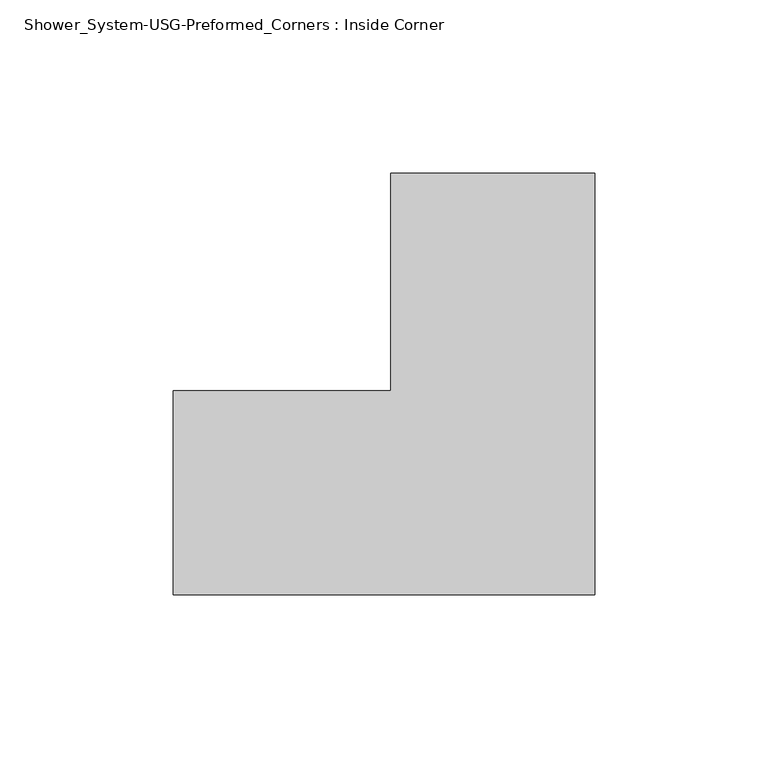
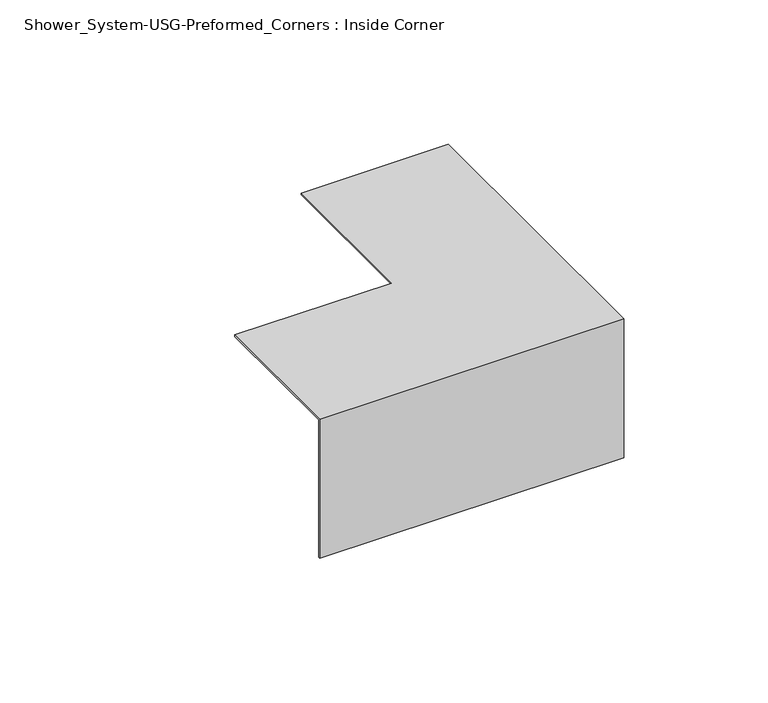
"""IFC4 building model written with IfcOpenShell, lengths in millimetres: proxy geometry, Shower_System-USG-Preformed_Corners : Inside Corner."""

from ifc_helpers import new_model, si_unit, origin, place, context, project, spatial, faceted_brep, source, transform, mapped, element, save


def shower_system_usg_preformed_corners_inside_corner_9c5dfa60(model_context):
    return source(origin(), model_context, "Body", "Brep", [
        faceted_brep([(61.11875, 60.325, -57.94375), (60.325, 60.325, -57.94375), (60.325, 60.325, 0.0), (2.38125, 60.325, 0.0), (2.38125, 60.325, 0.79375), (61.11875, 60.325, 0.79375), (-60.325, -61.11875, -57.94375), (-60.325, -61.11875, 0.79375), (-60.325, -2.38125, 0.79375), (-60.325, -2.38125, 0.0), (-60.325, -60.325, 0.0), (-60.325, -60.325, -57.94375), (61.11875, -61.11875, 0.79375), (61.11875, -61.11875, -57.94375), (2.38125, -2.38125, 0.79375), (2.38125, -2.38125, 0.0), (60.325, -60.325, 0.0), (60.325, -60.325, -57.94375)], [[[0, 1, 2, 3, 4, 5]], [[6, 7, 8, 9, 10, 11]], [[0, 5, 12, 13]], [[5, 4, 14, 8, 7, 12]], [[4, 3, 15, 14]], [[3, 2, 16, 10, 9, 15]], [[2, 1, 17, 16]], [[1, 0, 13, 6, 11, 17]], [[13, 12, 7, 6]], [[14, 15, 9, 8]], [[16, 17, 11, 10]]]),
    ])


if __name__ == "__main__":
    model = new_model("IFC4")
    model_context = context("Model", 3, world=origin())
    ifc_project = project(units=[si_unit("LENGTHUNIT", "METRE", prefix="MILLI")], contexts=[model_context])
    site = spatial("IfcSite", under=ifc_project)
    building = spatial("IfcBuilding", under=site)
    placement = place(None, origin())
    shower_system_usg_preformed_corners_inside_corner_shape = shower_system_usg_preformed_corners_inside_corner_9c5dfa60(model_context)
    element("IfcBuildingElementProxy", 1, Name="Shower_System-USG-Preformed_Corners : Inside Corner", ObjectType="Shower_System-USG-Preformed_Corners : Inside Corner", at=placement, inside=building, context=model_context, shape_type="MappedRepresentation", body=[
        mapped(shower_system_usg_preformed_corners_inside_corner_shape, transform((0.0, 0.0, 0.0), x_axis=(1.0, 0.0, 0.0), y_axis=(0.0, 1.0, 0.0), z_axis=(0.0, 0.0, 1.0))),
    ])
    save(model, "model.ifc")
